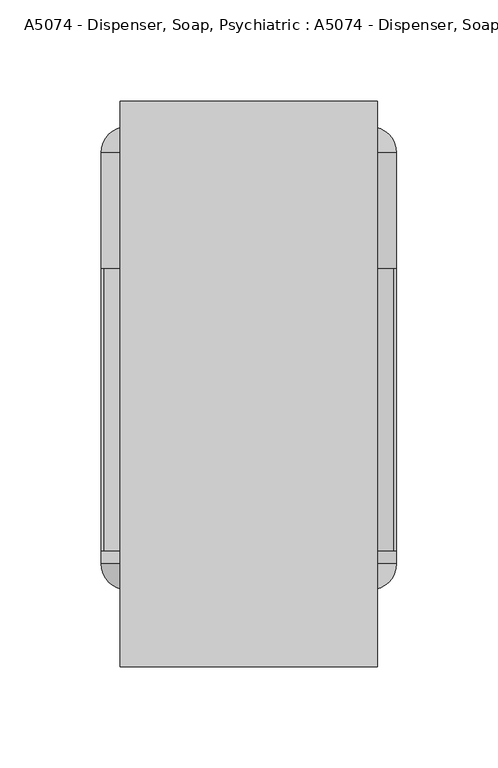
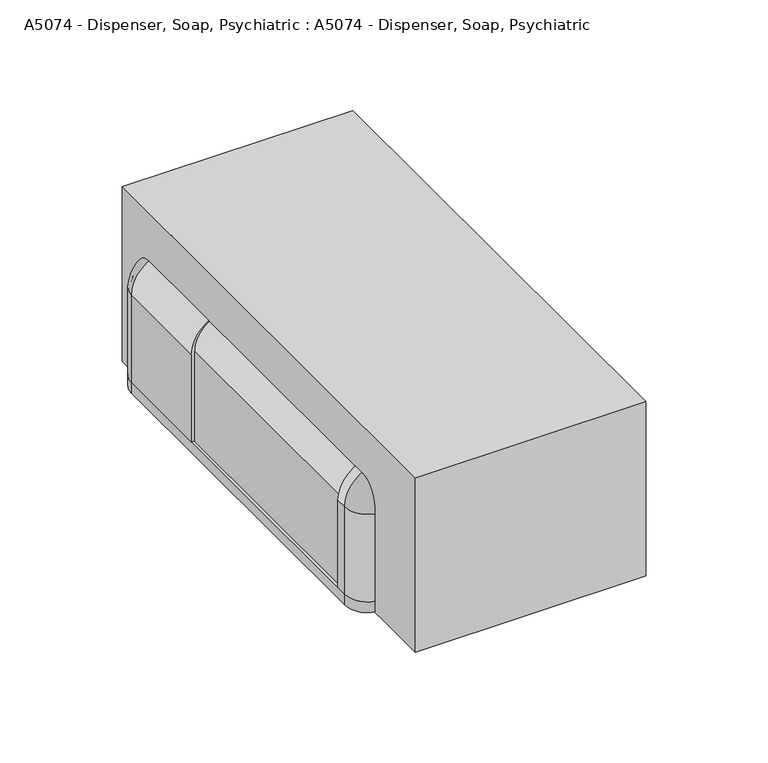
"""IFC4 building model written with IfcOpenShell, lengths in millimetres: proxy geometry, A5074 - Dispenser, Soap, Psychiatric : A5074 - Dispenser, Soap, Psychiatric."""

from ifc_helpers import new_model, si_unit, point, frame, frame_2d, origin, origin_with_axes, place, context, project, spatial, polyline, circle_curve, ellipse_curve, trimmed, segment, composite_curve, outline, extrude, source, transform, mapped, element, save
from ifc_brep_helpers import plane_surface, cylinder_surface, revolved_surface, advanced_brep


def a5074_dispenser_soap_psychiatric_a5074_dispenser_soap_391bfa09(model_context):
    return source(origin(), model_context, "Body", "SolidModel", [
        advanced_brep(
        [(-73.025, -25.4, 6.35), (-60.325, -12.7, 6.35), (-60.325, -14.2875, 6.35), (-71.4375, -25.4, 6.35), (-71.4375, -82.55, 6.35), (-73.025, -82.55, 6.35), (-73.025, -82.55, 57.15), (-73.025, -25.4, 57.15), (-71.4375, -82.55, 57.15), (-53.975, -82.55, 74.6125), (53.975, -82.55, 74.6125), (71.4375, -82.55, 57.15), (71.4375, -82.55, 6.35), (73.025, -82.55, 6.35), (73.025, -82.55, 57.15), (53.975, -82.55, 76.2), (-53.975, -82.55, 76.2), (-71.4375, -25.4, 57.15), (-60.325, -14.2875, 57.15), (-60.325, -12.7, 57.15), (-53.975, -25.4, 76.2), (-53.975, -25.4, 74.6125), (-53.975, -14.2875, 63.5), (-53.975, -12.7, 63.5), (53.975, -25.4, 76.2), (53.975, -25.4, 74.6125), (53.975, -14.2875, 63.5), (53.975, -12.7, 63.5), (73.025, -25.4, 57.15), (71.4375, -25.4, 57.15), (60.325, -14.2875, 57.15), (60.325, -12.7, 57.15), (73.025, -25.4, 6.35), (71.4375, -25.4, 6.35), (60.325, -14.2875, 6.35), (60.325, -12.7, 6.35)],
        [
            (0, 1, circle_curve(frame((-60.325, -25.4, 6.35), z_axis=(0.0, 0.0, -1.0), x_axis=(1.0, 0.0, 0.0)), 12.7)),
            (1, 2),
            (2, 3, circle_curve(frame((-60.325, -25.4, 6.35), z_axis=(0.0, 0.0, 1.0), x_axis=(1.0, 0.0, 0.0)), 11.1125)),
            (3, 4),
            (4, 5),
            (5, 0),
            (5, 6),
            (6, 7),
            (7, 0),
            (4, 8),
            (8, 9, circle_curve(frame((-53.975, -82.55, 57.15), z_axis=(0.0, 1.0, 0.0), x_axis=(-1.0, 0.0, 0.0)), 17.4625)),
            (9, 10),
            (10, 11, circle_curve(frame((53.975, -82.55, 57.15), z_axis=(0.0, 1.0, 0.0), x_axis=(0.0, 0.0, 1.0)), 17.4625)),
            (11, 12),
            (12, 13),
            (13, 14),
            (14, 15, circle_curve(frame((53.975, -82.55, 57.15), z_axis=(0.0, -1.0, 0.0), x_axis=(0.0, 0.0, 1.0)), 19.05)),
            (15, 16),
            (16, 6, circle_curve(frame((-53.975, -82.55, 57.15), z_axis=(0.0, -1.0, 0.0), x_axis=(-1.0, 0.0, 0.0)), 19.05)),
            (3, 17),
            (17, 8),
            (2, 18),
            (18, 17, circle_curve(frame((-60.325, -25.4, 57.15), z_axis=(0.0, 0.0, 1.0), x_axis=(1.0, 0.0, 0.0)), 11.1125)),
            (1, 19),
            (19, 18),
            (7, 19, circle_curve(frame((-60.325, -25.4, 57.15), z_axis=(0.0, 0.0, -1.0), x_axis=(1.0, 0.0, 0.0)), 12.7)),
            (16, 20),
            (20, 7, circle_curve(frame((-53.975, -25.4, 57.15), z_axis=(0.0, -1.0, 0.0), x_axis=(-1.0, 0.0, 0.0)), 19.05)),
            (21, 9),
            (17, 21, circle_curve(frame((-53.975, -25.4, 57.15), z_axis=(0.0, 1.0, 0.0), x_axis=(-1.0, 0.0, 0.0)), 17.4625)),
            (22, 21, circle_curve(frame((-53.975, -25.4, 63.5), z_axis=(1.0, 0.0, 0.0), x_axis=(0.0, 0.0, -1.0)), 11.1125)),
            (18, 22, circle_curve(frame((-53.975, -14.2875, 57.15), z_axis=(0.0, 1.0, 0.0), x_axis=(-1.0, 0.0, 0.0)), 6.35)),
            (23, 22),
            (19, 23, circle_curve(frame((-53.975, -12.7, 57.15), z_axis=(0.0, 1.0, 0.0), x_axis=(-1.0, 0.0, 0.0)), 6.35)),
            (20, 23, circle_curve(frame((-53.975, -25.4, 63.5), z_axis=(-1.0, 0.0, 0.0), x_axis=(0.0, 0.0, -1.0)), 12.7)),
            (15, 24),
            (24, 20),
            (21, 25),
            (25, 10),
            (22, 26),
            (26, 25, circle_curve(frame((53.975, -25.4, 63.5), z_axis=(1.0, 0.0, 0.0), x_axis=(0.0, 0.0, -1.0)), 11.1125)),
            (23, 27),
            (27, 26),
            (24, 27, circle_curve(frame((53.975, -25.4, 63.5), z_axis=(-1.0, 0.0, 0.0), x_axis=(0.0, 0.0, -1.0)), 12.7)),
            (14, 28),
            (28, 24, circle_curve(frame((53.975, -25.4, 57.15), z_axis=(0.0, -1.0, 0.0), x_axis=(0.0, 0.0, 1.0)), 19.05)),
            (29, 11),
            (25, 29, circle_curve(frame((53.975, -25.4, 57.15), z_axis=(0.0, 1.0, 0.0), x_axis=(0.0, 0.0, 1.0)), 17.4625)),
            (30, 29, circle_curve(frame((60.325, -25.4, 57.15), z_axis=(0.0, 0.0, -1.0), x_axis=(-1.0, 0.0, 0.0)), 11.1125)),
            (26, 30, circle_curve(frame((53.975, -14.2875, 57.15), z_axis=(0.0, 1.0, 0.0), x_axis=(0.0, 0.0, 1.0)), 6.35)),
            (31, 30),
            (27, 31, circle_curve(frame((53.975, -12.7, 57.15), z_axis=(0.0, 1.0, 0.0), x_axis=(0.0, 0.0, 1.0)), 6.35)),
            (28, 31, circle_curve(frame((60.325, -25.4, 57.15), z_axis=(0.0, 0.0, 1.0), x_axis=(-1.0, 0.0, 0.0)), 12.7)),
            (32, 13),
            (12, 33),
            (33, 34, circle_curve(frame((60.325, -25.4, 6.35), z_axis=(0.0, 0.0, 1.0), x_axis=(-1.0, 0.0, 0.0)), 11.1125)),
            (34, 35),
            (35, 32, circle_curve(frame((60.325, -25.4, 6.35), z_axis=(0.0, 0.0, -1.0), x_axis=(-1.0, 0.0, 0.0)), 12.7)),
            (32, 28),
            (29, 33),
            (30, 34),
            (31, 35),
        ],
        [
            plane_surface(frame((-73.025, -12.7, 6.35), z_axis=(0.0, 0.0, -1.0), x_axis=(0.0, -1.0, 0.0))),
            plane_surface(frame((-73.025, -25.4, 6.35), z_axis=(-1.0, 0.0, 0.0), x_axis=(0.0, 0.0, 1.0))),
            plane_surface(frame((-73.025, -82.55, 6.35), z_axis=(0.0, -1.0, 0.0), x_axis=(0.0, 0.0, 1.0))),
            plane_surface(frame((-71.4375, -82.55, 6.35), z_axis=(1.0, 0.0, 0.0), x_axis=(0.0, 0.0, 1.0))),
            revolved_surface(polyline([(-49.212500000000006, -25.4, 57.15), (-49.212500000000006, -25.4, 6.35)]), (-60.325, -25.4, 6.35), (0.0, 0.0, 1.0)),
            plane_surface(frame((-60.325, -14.2875, 6.35), z_axis=(1.0, 0.0, 0.0), x_axis=(0.0, 0.0, 1.0))),
            cylinder_surface(frame((-60.325, -25.4, 6.35), z_axis=(0.0, 0.0, -1.0), x_axis=(1.0, 0.0, 0.0)), 12.7),
            cylinder_surface(frame((-53.975, -12.7, 57.15), z_axis=(0.0, -1.0, 0.0), x_axis=(-1.0, 0.0, 0.0)), 19.05),
            revolved_surface(polyline([(-71.4375, -82.55, 57.15), (-71.4375, -25.4, 57.15)]), (-53.975, -12.7, 57.15), (0.0, -1.0, 0.0)),
            revolved_surface(trimmed(ellipse_curve(frame((-60.325, -25.4, 57.15), z_axis=(0.0, 0.0, -1.0), x_axis=(1.0, 0.0, 0.0)), 11.1125, 11.1125), [point((-71.4375, -25.4, 57.15))], [point((-60.325, -14.2875, 57.15))], True, "CARTESIAN"), (-53.975, -12.7, 57.15), (0.0, -1.0, 0.0)),
            revolved_surface(polyline([(-60.325, -14.2875, 57.15), (-60.325, -12.7, 57.15)]), (-53.975, -12.7, 57.15), (0.0, -1.0, 0.0)),
            revolved_surface(trimmed(ellipse_curve(frame((-60.325, -25.4, 57.15), z_axis=(0.0, 0.0, 1.0), x_axis=(1.0, 0.0, 0.0)), 12.7, 12.7), [point((-60.325, -12.7, 57.15))], [point((-73.025, -25.4, 57.15))], True, "CARTESIAN"), (-53.975, -12.7, 57.15), (0.0, -1.0, 0.0)),
            plane_surface(frame((-53.975, -25.4, 76.2), z_axis=(0.0, 0.0, 1.0), x_axis=(1.0, 0.0, 0.0))),
            plane_surface(frame((-53.975, -82.55, 74.6125), z_axis=(0.0, 0.0, -1.0), x_axis=(1.0, 0.0, 0.0))),
            revolved_surface(polyline([(53.975, -25.4, 52.3875), (-53.975, -25.4, 52.3875)]), (-53.975, -25.4, 63.5), (1.0, 0.0, 0.0)),
            plane_surface(frame((-53.975, -14.2875, 63.5), z_axis=(0.0, 0.0, -1.0), x_axis=(1.0, 0.0, 0.0))),
            cylinder_surface(frame((-53.975, -25.4, 63.5), z_axis=(-1.0, 0.0, 0.0), x_axis=(0.0, 0.0, -1.0)), 12.7),
            cylinder_surface(frame((53.975, -12.7, 57.15), z_axis=(0.0, -1.0, 0.0), x_axis=(0.0, 0.0, 1.0)), 19.05),
            revolved_surface(polyline([(53.975, -82.55, 74.6125), (53.975, -25.4, 74.6125)]), (53.975, -12.7, 57.15), (0.0, -1.0, 0.0)),
            revolved_surface(trimmed(ellipse_curve(frame((53.975, -25.4, 63.5), z_axis=(-1.0, 0.0, 0.0), x_axis=(0.0, 0.0, -1.0)), 11.1125, 11.1125), [point((53.975, -25.4, 74.6125))], [point((53.975, -14.2875, 63.5))], True, "CARTESIAN"), (53.975, -12.7, 57.15), (0.0, -1.0, 0.0)),
            revolved_surface(polyline([(53.975, -14.2875, 63.5), (53.975, -12.7, 63.5)]), (53.975, -12.7, 57.15), (0.0, -1.0, 0.0)),
            revolved_surface(trimmed(ellipse_curve(frame((53.975, -25.4, 63.5), z_axis=(1.0, 0.0, 0.0), x_axis=(0.0, 0.0, -1.0)), 12.7, 12.7), [point((53.975, -12.7, 63.5))], [point((53.975, -25.4, 76.2))], True, "CARTESIAN"), (53.975, -12.7, 57.15), (0.0, -1.0, 0.0)),
            plane_surface(frame((73.025, -12.7, 6.35), z_axis=(0.0, 0.0, -1.0), x_axis=(0.0, -1.0, 0.0))),
            plane_surface(frame((73.025, -25.4, 57.15), z_axis=(1.0, 0.0, 0.0), x_axis=(0.0, 0.0, -1.0))),
            plane_surface(frame((71.4375, -82.55, 57.15), z_axis=(-1.0, 0.0, 0.0), x_axis=(0.0, 0.0, -1.0))),
            revolved_surface(polyline([(49.212500000000006, -25.4, 6.350000000000001), (49.212500000000006, -25.4, 57.15)]), (60.325, -25.4, 57.15), (0.0, 0.0, -1.0)),
            plane_surface(frame((60.325, -14.2875, 57.15), z_axis=(-1.0, 0.0, 0.0), x_axis=(0.0, 0.0, -1.0))),
            cylinder_surface(frame((60.325, -25.4, 57.15), z_axis=(0.0, 0.0, 1.0), x_axis=(-1.0, 0.0, 0.0)), 12.7),
        ],
        [
            (0, [[1, 2, 3, 4, 5, 6]]),
            (1, [[7, 8, 9, -6]]),
            (2, [[10, 11, 12, 13, 14, 15, 16, 17, 18, 19, -7, -5]]),
            (3, [[20, 21, -10, -4]]),
            (4, [[22, 23, -20, -3]]),
            (5, [[24, 25, -22, -2]]),
            (6, [[-9, 26, -24, -1]]),
            (7, [[27, 28, -8, -19]]),
            (8, [[29, -11, -21, 30]]),
            (9, [[31, -30, -23, 32]]),
            (10, [[33, -32, -25, 34]]),
            (11, [[35, -34, -26, -28]]),
            (12, [[-18, 36, 37, -27]]),
            (13, [[38, 39, -12, -29]]),
            (14, [[40, 41, -38, -31]]),
            (15, [[42, 43, -40, -33]]),
            (16, [[-37, 44, -42, -35]]),
            (17, [[45, 46, -36, -17]]),
            (18, [[47, -13, -39, 48]]),
            (19, [[49, -48, -41, 50]]),
            (20, [[51, -50, -43, 52]]),
            (21, [[53, -52, -44, -46]]),
            (22, [[54, -15, 55, 56, 57, 58]]),
            (23, [[-16, -54, 59, -45]]),
            (24, [[60, -55, -14, -47]]),
            (25, [[61, -56, -60, -49]]),
            (26, [[62, -57, -61, -51]]),
            (27, [[-59, -58, -62, -53]]),
        ],
    ),
        advanced_brep(
        [(-73.025, -228.6, 6.35), (-73.025, -222.25, 6.35), (-71.4375, -222.25, 6.35), (-71.4375, -228.6, 6.35), (-60.325, -239.7125, 6.35), (-60.325, -241.3, 6.35), (-60.325, -241.3, 57.15), (-73.025, -228.6, 57.15), (-60.325, -239.7125, 57.15), (-71.4375, -228.6, 57.15), (-71.4375, -222.25, 57.15), (-73.025, -222.25, 57.15), (-53.975, -222.25, 76.2), (53.975, -222.25, 76.2), (73.025, -222.25, 57.15), (73.025, -222.25, 6.35), (71.4375, -222.25, 6.35), (71.4375, -222.25, 57.15), (53.975, -222.25, 74.6125), (-53.975, -222.25, 74.6125), (-53.975, -241.3, 63.5), (-53.975, -228.6, 76.2), (-53.975, -239.7125, 63.5), (-53.975, -228.6, 74.6125), (53.975, -241.3, 63.5), (53.975, -228.6, 76.2), (53.975, -239.7125, 63.5), (53.975, -228.6, 74.6125), (60.325, -241.3, 57.15), (73.025, -228.6, 57.15), (60.325, -239.7125, 57.15), (71.4375, -228.6, 57.15), (73.025, -228.6, 6.35), (60.325, -241.3, 6.35), (60.325, -239.7125, 6.35), (71.4375, -228.6, 6.35)],
        [
            (0, 1),
            (1, 2),
            (2, 3),
            (3, 4, circle_curve(frame((-60.325, -228.6, 6.35), z_axis=(0.0, 0.0, 1.0), x_axis=(1.0, 0.0, 0.0)), 11.1125)),
            (4, 5),
            (5, 0, circle_curve(frame((-60.325, -228.6, 6.35), z_axis=(0.0, 0.0, -1.0), x_axis=(1.0, 0.0, 0.0)), 12.7)),
            (5, 6),
            (6, 7, circle_curve(frame((-60.325, -228.6, 57.15), z_axis=(0.0, 0.0, -1.0), x_axis=(1.0, 0.0, 0.0)), 12.7)),
            (7, 0),
            (4, 8),
            (8, 6),
            (3, 9),
            (9, 8, circle_curve(frame((-60.325, -228.6, 57.15), z_axis=(0.0, 0.0, 1.0), x_axis=(1.0, 0.0, 0.0)), 11.1125)),
            (2, 10),
            (10, 9),
            (1, 11),
            (11, 12, circle_curve(frame((-53.975, -222.25, 57.15), z_axis=(0.0, 1.0, 0.0), x_axis=(-1.0, 0.0, 0.0)), 19.05)),
            (12, 13),
            (13, 14, circle_curve(frame((53.975, -222.25, 57.15), z_axis=(0.0, 1.0, 0.0), x_axis=(0.0, 0.0, 1.0)), 19.05)),
            (14, 15),
            (15, 16),
            (16, 17),
            (17, 18, circle_curve(frame((53.975, -222.25, 57.15), z_axis=(0.0, -1.0, 0.0), x_axis=(0.0, 0.0, 1.0)), 17.4625)),
            (18, 19),
            (19, 10, circle_curve(frame((-53.975, -222.25, 57.15), z_axis=(0.0, -1.0, 0.0), x_axis=(-1.0, 0.0, 0.0)), 17.4625)),
            (7, 11),
            (20, 21, circle_curve(frame((-53.975, -228.6, 63.5), z_axis=(-1.0, 0.0, 0.0), x_axis=(0.0, 0.0, -1.0)), 12.7)),
            (21, 7, circle_curve(frame((-53.975, -228.6, 57.15), z_axis=(0.0, -1.0, 0.0), x_axis=(-1.0, 0.0, 0.0)), 19.05)),
            (6, 20, circle_curve(frame((-53.975, -241.3, 57.15), z_axis=(0.0, 1.0, 0.0), x_axis=(-1.0, 0.0, 0.0)), 6.35)),
            (22, 20),
            (8, 22, circle_curve(frame((-53.975, -239.7125, 57.15), z_axis=(0.0, 1.0, 0.0), x_axis=(-1.0, 0.0, 0.0)), 6.35)),
            (23, 22, circle_curve(frame((-53.975, -228.6, 63.5), z_axis=(1.0, 0.0, 0.0), x_axis=(0.0, 0.0, -1.0)), 11.1125)),
            (9, 23, circle_curve(frame((-53.975, -228.6, 57.15), z_axis=(0.0, 1.0, 0.0), x_axis=(-1.0, 0.0, 0.0)), 17.4625)),
            (19, 23),
            (21, 12),
            (20, 24),
            (24, 25, circle_curve(frame((53.975, -228.6, 63.5), z_axis=(-1.0, 0.0, 0.0), x_axis=(0.0, 0.0, -1.0)), 12.7)),
            (25, 21),
            (22, 26),
            (26, 24),
            (23, 27),
            (27, 26, circle_curve(frame((53.975, -228.6, 63.5), z_axis=(1.0, 0.0, 0.0), x_axis=(0.0, 0.0, -1.0)), 11.1125)),
            (18, 27),
            (25, 13),
            (28, 29, circle_curve(frame((60.325, -228.6, 57.15), z_axis=(0.0, 0.0, 1.0), x_axis=(-1.0, 0.0, 0.0)), 12.7)),
            (29, 25, circle_curve(frame((53.975, -228.6, 57.15), z_axis=(0.0, -1.0, 0.0), x_axis=(0.0, 0.0, 1.0)), 19.05)),
            (24, 28, circle_curve(frame((53.975, -241.3, 57.15), z_axis=(0.0, 1.0, 0.0), x_axis=(0.0, 0.0, 1.0)), 6.35)),
            (30, 28),
            (26, 30, circle_curve(frame((53.975, -239.7125, 57.15), z_axis=(0.0, 1.0, 0.0), x_axis=(0.0, 0.0, 1.0)), 6.35)),
            (31, 30, circle_curve(frame((60.325, -228.6, 57.15), z_axis=(0.0, 0.0, -1.0), x_axis=(-1.0, 0.0, 0.0)), 11.1125)),
            (27, 31, circle_curve(frame((53.975, -228.6, 57.15), z_axis=(0.0, 1.0, 0.0), x_axis=(0.0, 0.0, 1.0)), 17.4625)),
            (17, 31),
            (29, 14),
            (32, 33, circle_curve(frame((60.325, -228.6, 6.35), z_axis=(0.0, 0.0, -1.0), x_axis=(-1.0, 0.0, 0.0)), 12.7)),
            (33, 34),
            (34, 35, circle_curve(frame((60.325, -228.6, 6.35), z_axis=(0.0, 0.0, 1.0), x_axis=(-1.0, 0.0, 0.0)), 11.1125)),
            (35, 16),
            (15, 32),
            (28, 33),
            (32, 29),
            (30, 34),
            (31, 35),
        ],
        [
            plane_surface(frame((-73.025, -241.3, 6.35), z_axis=(0.0, 0.0, -1.0), x_axis=(0.0, -1.0, 0.0))),
            cylinder_surface(frame((-60.325, -228.6, 6.35), z_axis=(0.0, 0.0, -1.0), x_axis=(1.0, 0.0, 0.0)), 12.7),
            plane_surface(frame((-60.325, -241.3, 6.35), z_axis=(1.0, 0.0, 0.0), x_axis=(0.0, 0.0, 1.0))),
            revolved_surface(polyline([(-49.212500000000006, -228.6, 57.15), (-49.212500000000006, -228.6, 6.35)]), (-60.325, -228.6, 6.35), (0.0, 0.0, 1.0)),
            plane_surface(frame((-71.4375, -228.6, 6.35), z_axis=(1.0, 0.0, 0.0), x_axis=(0.0, 0.0, 1.0))),
            plane_surface(frame((-71.4375, -222.25, 6.35), z_axis=(0.0, 1.0, 0.0), x_axis=(0.0, 0.0, 1.0))),
            plane_surface(frame((-73.025, -222.25, 6.35), z_axis=(-1.0, 0.0, 0.0), x_axis=(0.0, 0.0, 1.0))),
            revolved_surface(trimmed(ellipse_curve(frame((-60.325, -228.6, 57.15), z_axis=(0.0, 0.0, 1.0), x_axis=(1.0, 0.0, 0.0)), 12.7, 12.7), [point((-73.025, -228.6, 57.15))], [point((-60.325, -241.3, 57.15))], True, "CARTESIAN"), (-53.975, -241.3, 57.15), (0.0, -1.0, 0.0)),
            revolved_surface(polyline([(-60.325, -241.3, 57.15), (-60.325, -239.7125, 57.15)]), (-53.975, -241.3, 57.15), (0.0, -1.0, 0.0)),
            revolved_surface(trimmed(ellipse_curve(frame((-60.325, -228.6, 57.15), z_axis=(0.0, 0.0, -1.0), x_axis=(1.0, 0.0, 0.0)), 11.1125, 11.1125), [point((-60.325, -239.7125, 57.15))], [point((-71.4375, -228.6, 57.15))], True, "CARTESIAN"), (-53.975, -241.3, 57.15), (0.0, -1.0, 0.0)),
            revolved_surface(polyline([(-71.4375, -228.6, 57.15), (-71.4375, -222.25, 57.15)]), (-53.975, -241.3, 57.15), (0.0, -1.0, 0.0)),
            cylinder_surface(frame((-53.975, -241.3, 57.15), z_axis=(0.0, -1.0, 0.0), x_axis=(-1.0, 0.0, 0.0)), 19.05),
            cylinder_surface(frame((-53.975, -228.6, 63.5), z_axis=(-1.0, 0.0, 0.0), x_axis=(0.0, 0.0, -1.0)), 12.7),
            plane_surface(frame((-53.975, -241.3, 63.5), z_axis=(0.0, 0.0, -1.0), x_axis=(1.0, 0.0, 0.0))),
            revolved_surface(polyline([(53.975, -228.6, 52.3875), (-53.975, -228.6, 52.3875)]), (-53.975, -228.6, 63.5), (1.0, 0.0, 0.0)),
            plane_surface(frame((-53.975, -228.6, 74.6125), z_axis=(0.0, 0.0, -1.0), x_axis=(1.0, 0.0, 0.0))),
            plane_surface(frame((-53.975, -222.25, 76.2), z_axis=(0.0, 0.0, 1.0), x_axis=(1.0, 0.0, 0.0))),
            revolved_surface(trimmed(ellipse_curve(frame((53.975, -228.6, 63.5), z_axis=(1.0, 0.0, 0.0), x_axis=(0.0, 0.0, -1.0)), 12.7, 12.7), [point((53.975, -228.6, 76.2))], [point((53.975, -241.3, 63.5))], True, "CARTESIAN"), (53.975, -241.3, 57.15), (0.0, -1.0, 0.0)),
            revolved_surface(polyline([(53.975, -241.3, 63.5), (53.975, -239.7125, 63.5)]), (53.975, -241.3, 57.15), (0.0, -1.0, 0.0)),
            revolved_surface(trimmed(ellipse_curve(frame((53.975, -228.6, 63.5), z_axis=(-1.0, 0.0, 0.0), x_axis=(0.0, 0.0, -1.0)), 11.1125, 11.1125), [point((53.975, -239.7125, 63.5))], [point((53.975, -228.6, 74.6125))], True, "CARTESIAN"), (53.975, -241.3, 57.15), (0.0, -1.0, 0.0)),
            revolved_surface(polyline([(53.975, -228.6, 74.6125), (53.975, -222.25, 74.6125)]), (53.975, -241.3, 57.15), (0.0, -1.0, 0.0)),
            cylinder_surface(frame((53.975, -241.3, 57.15), z_axis=(0.0, -1.0, 0.0), x_axis=(0.0, 0.0, 1.0)), 19.05),
            plane_surface(frame((73.025, -241.3, 6.35), z_axis=(0.0, 0.0, -1.0), x_axis=(0.0, -1.0, 0.0))),
            cylinder_surface(frame((60.325, -228.6, 57.15), z_axis=(0.0, 0.0, 1.0), x_axis=(-1.0, 0.0, 0.0)), 12.7),
            plane_surface(frame((60.325, -241.3, 57.15), z_axis=(-1.0, 0.0, 0.0), x_axis=(0.0, 0.0, -1.0))),
            revolved_surface(polyline([(49.212500000000006, -228.6, 6.350000000000001), (49.212500000000006, -228.6, 57.15)]), (60.325, -228.6, 57.15), (0.0, 0.0, -1.0)),
            plane_surface(frame((71.4375, -228.6, 57.15), z_axis=(-1.0, 0.0, 0.0), x_axis=(0.0, 0.0, -1.0))),
            plane_surface(frame((73.025, -222.25, 57.15), z_axis=(1.0, 0.0, 0.0), x_axis=(0.0, 0.0, -1.0))),
        ],
        [
            (0, [[1, 2, 3, 4, 5, 6]]),
            (1, [[7, 8, 9, -6]]),
            (2, [[10, 11, -7, -5]]),
            (3, [[12, 13, -10, -4]]),
            (4, [[14, 15, -12, -3]]),
            (5, [[16, 17, 18, 19, 20, 21, 22, 23, 24, 25, -14, -2]]),
            (6, [[-9, 26, -16, -1]]),
            (7, [[27, 28, -8, 29]]),
            (8, [[30, -29, -11, 31]]),
            (9, [[32, -31, -13, 33]]),
            (10, [[34, -33, -15, -25]]),
            (11, [[35, -17, -26, -28]]),
            (12, [[36, 37, 38, -27]]),
            (13, [[39, 40, -36, -30]]),
            (14, [[41, 42, -39, -32]]),
            (15, [[-24, 43, -41, -34]]),
            (16, [[-38, 44, -18, -35]]),
            (17, [[45, 46, -37, 47]]),
            (18, [[48, -47, -40, 49]]),
            (19, [[50, -49, -42, 51]]),
            (20, [[52, -51, -43, -23]]),
            (21, [[53, -19, -44, -46]]),
            (22, [[54, 55, 56, 57, -21, 58]]),
            (23, [[59, -54, 60, -45]]),
            (24, [[61, -55, -59, -48]]),
            (25, [[62, -56, -61, -50]]),
            (26, [[-22, -57, -62, -52]]),
            (27, [[-60, -58, -20, -53]]),
        ],
    ),
        extrude(outline(composite_curve([segment(polyline([(76.2, 53.975), (76.2, -53.975)]), True, "CONTINUOUS"), segment(trimmed(circle_curve(frame_2d((58.7375, -53.975)), 17.4625), [point((76.2, -53.975))], [point((58.7375, -71.4375))], False, "CARTESIAN"), True, "CONTINUOUS"), segment(polyline([(58.7375, -71.4375), (6.35, -71.4375), (6.35, 71.4375), (58.7375, 71.4375)]), True, "CONTINUOUS"), segment(trimmed(circle_curve(frame_2d((58.7375, 53.975)), 17.4625), [point((58.7375, 71.4375))], [point((76.2, 53.975))], False, "CARTESIAN"), True, "CONTINUOUS")], self_intersect=False)), frame((0.0, -222.25, 0.0), z_axis=(0.0, 1.0, 0.0), x_axis=(0.0, 0.0, 1.0)), (0.0, 0.0, 1.0), 139.7),
        extrude(outline(composite_curve([segment(trimmed(circle_curve(frame_2d((47.625, 0.0)), 9.525), [point((47.625, -9.525))], [point((47.625, 9.525))], False, "CARTESIAN"), True, "CONTINUOUS"), segment(trimmed(circle_curve(frame_2d((47.625, 0.0)), 9.525), [point((47.625, 9.525))], [point((47.625, -9.525))], False, "CARTESIAN"), True, "CONTINUOUS")], self_intersect=False)), frame((0.0, -12.7, 0.0), z_axis=(0.0, 1.0, 0.0), x_axis=(0.0, 0.0, 1.0)), (0.0, 0.0, 1.0), 12.7),
        extrude(outline(composite_curve([segment(trimmed(circle_curve(frame_2d((-9.525, -41.275)), 9.525), [point((-9.525, -50.8))], [point((-9.525, -31.75))], False, "CARTESIAN"), True, "CONTINUOUS"), segment(polyline([(-9.525, -31.75), (9.525, -31.75)]), True, "CONTINUOUS"), segment(trimmed(circle_curve(frame_2d((9.525, -41.275)), 9.525), [point((9.525, -31.75))], [point((9.525, -50.8))], False, "CARTESIAN"), True, "CONTINUOUS"), segment(polyline([(9.525, -50.8), (-9.525, -50.8)]), True, "CONTINUOUS")], self_intersect=False)), frame((0.0, 0.0, 76.2), z_axis=(0.0, 0.0, 1.0), x_axis=(1.0, 0.0, 0.0)), (0.0, 0.0, 1.0), 12.7),
        extrude(outline(composite_curve([segment(polyline([(6.35, -60.325), (6.35, 60.325), (57.15, 60.325)]), True, "CONTINUOUS"), segment(trimmed(circle_curve(frame_2d((57.15, 53.975)), 6.35), [point((57.15, 60.325))], [point((63.5, 53.975))], False, "CARTESIAN"), True, "CONTINUOUS"), segment(polyline([(63.5, 53.975), (63.5, -53.975)]), True, "CONTINUOUS"), segment(trimmed(circle_curve(frame_2d((57.15, -53.975)), 6.35), [point((63.5, -53.975))], [point((57.15, -60.325))], False, "CARTESIAN"), True, "CONTINUOUS"), segment(polyline([(57.15, -60.325), (6.35, -60.325)]), True, "CONTINUOUS")], self_intersect=False)), frame((0.0, -14.2875, 0.0), z_axis=(0.0, 1.0, 0.0), x_axis=(0.0, 0.0, 1.0)), (0.0, 0.0, 1.0), 1.5875),
        extrude(outline(composite_curve([segment(trimmed(circle_curve(frame_2d((-60.325, -228.6)), 12.7), [point((-60.325, -241.3))], [point((-73.025, -228.6))], False, "CARTESIAN"), True, "CONTINUOUS"), segment(polyline([(-73.025, -228.6), (-73.025, -25.4)]), True, "CONTINUOUS"), segment(trimmed(circle_curve(frame_2d((-60.325, -25.4)), 12.7), [point((-73.025, -25.4))], [point((-60.325, -12.7))], False, "CARTESIAN"), True, "CONTINUOUS"), segment(polyline([(-60.325, -12.7), (60.325, -12.7)]), True, "CONTINUOUS"), segment(trimmed(circle_curve(frame_2d((60.325, -25.4)), 12.7), [point((60.325, -12.7))], [point((73.025, -25.4))], False, "CARTESIAN"), True, "CONTINUOUS"), segment(polyline([(73.025, -25.4), (73.025, -228.6)]), True, "CONTINUOUS"), segment(trimmed(circle_curve(frame_2d((60.325, -228.6)), 12.7), [point((73.025, -228.6))], [point((60.325, -241.3))], False, "CARTESIAN"), True, "CONTINUOUS"), segment(polyline([(60.325, -241.3), (-60.325, -241.3)]), True, "CONTINUOUS")], self_intersect=False)), origin_with_axes(), (0.0, 0.0, 1.0), 6.35),
        extrude(outline(polyline([(63.5, -279.4), (-63.5, -279.4), (-63.5, 0.0), (63.5, 0.0), (63.5, -279.4)])), origin_with_axes(), (0.0, 0.0, 1.0), 101.6),
        extrude(outline(composite_curve([segment(polyline([(6.35, -60.325), (6.35, 60.325), (57.15, 60.325)]), True, "CONTINUOUS"), segment(trimmed(circle_curve(frame_2d((57.15, 53.975)), 6.35), [point((57.15, 60.325))], [point((63.5, 53.975))], False, "CARTESIAN"), True, "CONTINUOUS"), segment(polyline([(63.5, 53.975), (63.5, -53.975)]), True, "CONTINUOUS"), segment(trimmed(circle_curve(frame_2d((57.15, -53.975)), 6.35), [point((63.5, -53.975))], [point((57.15, -60.325))], False, "CARTESIAN"), True, "CONTINUOUS"), segment(polyline([(57.15, -60.325), (6.35, -60.325)]), True, "CONTINUOUS")], self_intersect=False)), frame((0.0, -241.3, 0.0), z_axis=(0.0, 1.0, 0.0), x_axis=(0.0, 0.0, 1.0)), (0.0, 0.0, 1.0), 1.5875),
    ])


if __name__ == "__main__":
    model = new_model("IFC4")
    model_context = context("Model", 3, world=origin())
    ifc_project = project(units=[si_unit("LENGTHUNIT", "METRE", prefix="MILLI")], contexts=[model_context])
    site = spatial("IfcSite", under=ifc_project)
    building = spatial("IfcBuilding", under=site)
    placement = place(None, origin())
    a5074_dispenser_soap_psychiatric_a5074_dispenser_soap_shape = a5074_dispenser_soap_psychiatric_a5074_dispenser_soap_391bfa09(model_context)
    element("IfcBuildingElementProxy", 1, Name="A5074 - Dispenser, Soap, Psychiatric : A5074 - Dispenser, Soap, Psychiatric", ObjectType="A5074 - Dispenser, Soap, Psychiatric : A5074 - Dispenser, Soap, Psychiatric", at=placement, inside=building, context=model_context, shape_type="MappedRepresentation", body=[
        mapped(a5074_dispenser_soap_psychiatric_a5074_dispenser_soap_shape, transform((0.0, 0.0, 0.0), x_axis=(1.0, 0.0, 0.0), y_axis=(0.0, 1.0, 0.0), z_axis=(0.0, 0.0, 1.0))),
    ])
    save(model, "model.ifc")
